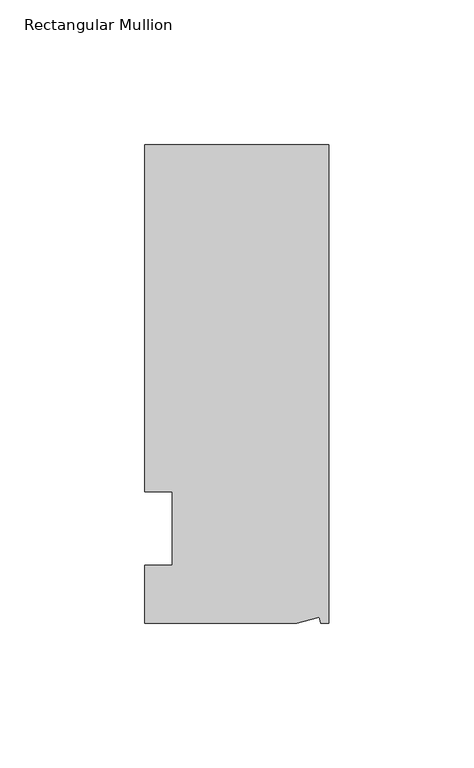
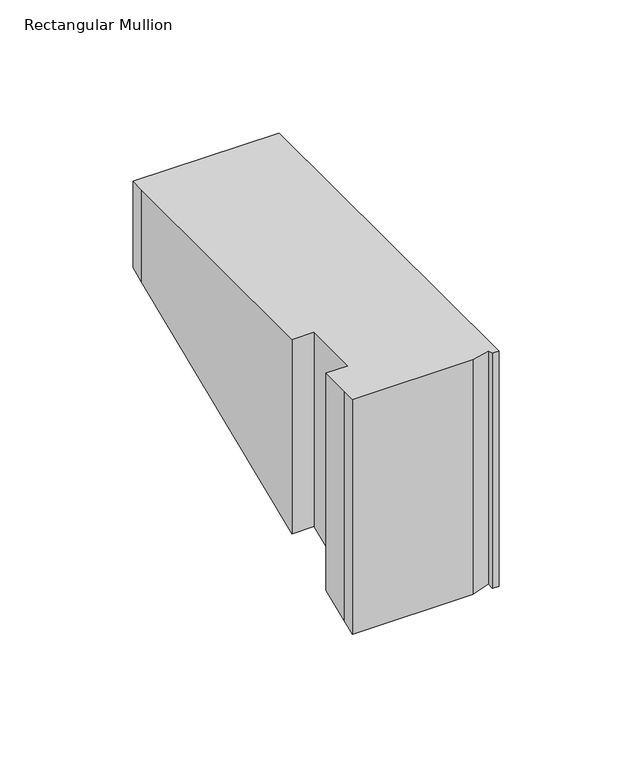
"""IFC4 building model written with IfcOpenShell, lengths in millimetres: member geometry, Rectangular Mullion."""

from ifc_helpers import new_model, si_unit, origin, place, context, project, spatial, faceted_brep, source, transform, mapped, element, save


def rectangular_mullion_018948ff(model_context):
    return source(origin(), model_context, "Body", "Brep", [
        faceted_brep([(0.0, 132.5561012, 0.0), (-63.5, 132.5561012, 0.0), (-63.5, 126.2061012, 0.0), (-63.5, 12.8054199, 0.0), (-53.975, 12.8054199, 0.0), (-53.975, -12.5945801, 0.0), (-63.5, -12.5945801, 0.0), (-63.5, -26.1938988, 0.0), (-63.5, -32.5438988, 0.0), (-11.121847, -32.5438988, 0.0), (-3.3341886, -30.4622958, 0.0), (-2.7616541, -32.5438988, 0.0), (0.0, -32.5438988, 0.0), (0.0, 132.5561012, -39.5497151), (-63.5, 132.5561012, -39.5497151), (-63.5, 126.2061012, -42.1799712), (-63.5, 12.8054199, -89.1520714), (-53.975, 12.8054199, -89.1520714), (-53.975, -12.5945801, -99.6730959), (-63.5, -12.5945801, -99.6730959), (-63.5, -26.1938988, -105.3061181), (-63.5, -32.5438988, -107.9363743), (-11.121847, -32.5438988, -107.9363743), (-3.3341886, -30.4622958, -107.074146), (-2.7616541, -32.5438988, -107.9363743), (0.0, -32.5438988, -107.9363743)], [[[0, 1, 2, 3, 4, 5, 6, 7, 8, 9, 10, 11, 12]], [[1, 0, 13, 14]], [[2, 1, 14, 15]], [[3, 2, 15, 16]], [[4, 3, 16, 17]], [[5, 4, 17, 18]], [[6, 5, 18, 19]], [[7, 6, 19, 20]], [[8, 7, 20, 21]], [[9, 8, 21, 22]], [[10, 9, 22, 23]], [[11, 10, 23, 24]], [[12, 11, 24, 25]], [[0, 12, 25, 13]], [[13, 25, 24, 23, 22, 21, 20, 19, 18, 17, 16, 15, 14]]]),
    ])


if __name__ == "__main__":
    model = new_model("IFC4")
    model_context = context("Model", 3, world=origin())
    ifc_project = project(units=[si_unit("LENGTHUNIT", "METRE", prefix="MILLI")], contexts=[model_context])
    site = spatial("IfcSite", under=ifc_project)
    building = spatial("IfcBuilding", under=site)
    placement = place(None, origin())
    rectangular_mullion_shape = rectangular_mullion_018948ff(model_context)
    element("IfcMember", 1, ObjectType="Rectangular Mullion", at=placement, inside=building, context=model_context, shape_type="MappedRepresentation", body=[
        mapped(rectangular_mullion_shape, transform((0.0, 0.0, 0.0), x_axis=(1.0, 0.0, 0.0), y_axis=(0.0, 1.0, 0.0), z_axis=(0.0, 0.0, 1.0))),
    ])
    save(model, "model.ifc")
